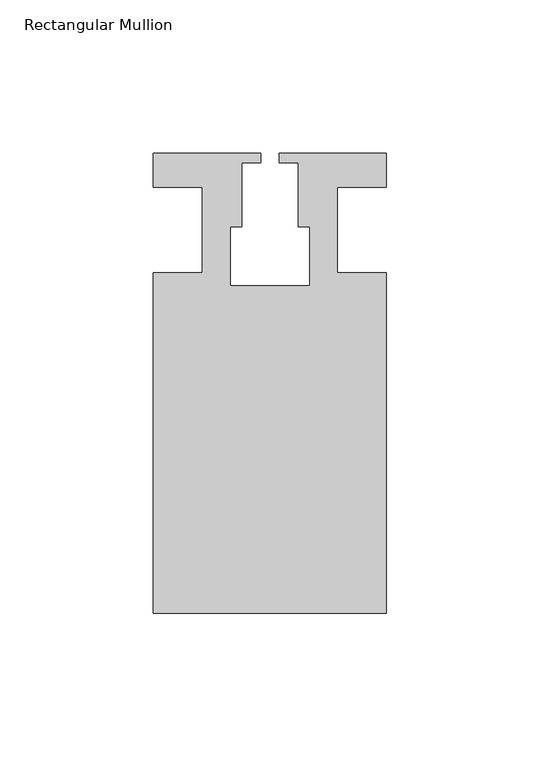
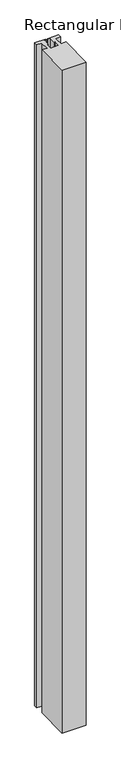
"""IFC4 building model written with IfcOpenShell, lengths in millimetres: member geometry, Rectangular Mullion."""

import ifcopenshell
import ifcopenshell.guid

model = None  # the IFC model being written
_history = None  # IfcOwnerHistory: only IFC2X3 demands one
_inside = {}  # id of a spatial element -> (the spatial element, [elements in it])
_under = {}  # id of a project, library or spatial element -> (it, [spatial elements below it])
_declared = {}  # id of a project -> (the project, [libraries it declares])
_typed = {}  # id of a type object -> (the type object, [elements of that type])
_made_of = {}  # id of a material, layer set ... -> (it, [elements and type objects made of it])


def new_model(schema):
    """Start an empty IFC model of exactly this schema.

    Asked for "IFC4X3", IfcOpenShell would pick the latest addendum, in which some entities
    have other attributes; the version numbers below select the first issue.
    IFC2X3 requires an IfcOwnerHistory on every rooted entity: one is made here for all.
    """
    global model, _history
    if schema == "IFC4X3":
        model = ifcopenshell.file(schema_version=(4, 3, 0, 0))
    else:
        model = ifcopenshell.file(schema=schema)
    _inside.clear()
    _under.clear()
    _declared.clear()
    _typed.clear()
    _made_of.clear()
    _history = None
    if model.schema == "IFC2X3":
        org = make("IfcOrganization", Name="unknown")
        user = make(
            "IfcPersonAndOrganization",
            ThePerson=make("IfcPerson", FamilyName="unknown"),
            TheOrganization=org,
        )
        app = make(
            "IfcApplication",
            ApplicationDeveloper=org,
            Version="unknown",
            ApplicationFullName="unknown",
            ApplicationIdentifier="unknown",
        )
        _history = make(
            "IfcOwnerHistory",
            OwningUser=user,
            OwningApplication=app,
            ChangeAction="ADDED",
            CreationDate=0,
        )
    return model


def make(cls, **values):
    """One entity of the class cls with the attributes given. An attribute that is None is left unset."""
    return model.create_entity(
        cls, **{name: value for name, value in values.items() if value is not None}
    )


def rooted(cls, **values):
    """An entity with a GlobalId (a new one), such as an element, a storey or a relation."""
    return make(cls, GlobalId=ifcopenshell.guid.new(), OwnerHistory=_history, **values)


def si_unit(unit_type, name, prefix=None):
    """IfcSIUnit, for example si_unit("LENGTHUNIT", "METRE", prefix="MILLI")."""
    return make("IfcSIUnit", UnitType=unit_type, Prefix=prefix, Name=name)


def assignment(units):
    """IfcUnitAssignment: the units of a project."""
    return None if units is None else make("IfcUnitAssignment", Units=units)


def point(xyz):
    """IfcCartesianPoint."""
    return None if xyz is None else make("IfcCartesianPoint", Coordinates=xyz)


def direction(xyz):
    """IfcDirection."""
    return None if xyz is None else make("IfcDirection", DirectionRatios=xyz)


def frame(location, z_axis=None, x_axis=None):
    """IfcAxis2Placement3D, a coordinate frame: its origin and axes. An axis left out is left unset."""
    return make(
        "IfcAxis2Placement3D",
        Location=point(location),
        Axis=direction(z_axis),
        RefDirection=direction(x_axis),
    )


def origin():
    """The frame at (0, 0, 0) with its axes left unset."""
    return frame((0.0, 0.0, 0.0))


def place(relative_to, where):
    """IfcLocalPlacement: puts the frame where relative to a parent placement (None: the world)."""
    return make(
        "IfcLocalPlacement", PlacementRelTo=relative_to, RelativePlacement=where
    )


def context(
    kind, dimensions, precision=None, world=None, true_north=None, identifier=None
):
    """IfcGeometricRepresentationContext, for example the 3D "Model" context."""
    return make(
        "IfcGeometricRepresentationContext",
        ContextIdentifier=identifier,
        ContextType=kind,
        CoordinateSpaceDimension=dimensions,
        Precision=precision,
        WorldCoordinateSystem=world,
        TrueNorth=true_north,
    )


def project(units=None, contexts=None):
    """IfcProject with its units and contexts."""
    return rooted(
        "IfcProject",
        Name="project",
        RepresentationContexts=contexts,
        UnitsInContext=assignment(units),
    )


def spatial(cls, under=None, at=None, **own):
    """A site, building, storey or space (cls), placed at a placement, below another one or the project."""
    s = rooted(cls, ObjectPlacement=at, **own)
    if under is not None:
        _under.setdefault(under.id(), (under, []))[1].append(s)
    return s


def polyline(points):
    """IfcPolyline through the points."""
    return make("IfcPolyline", Points=[point(p) for p in points])


def outline(outer, holes=None, kind="AREA"):
    """IfcArbitraryClosedProfileDef: a profile drawn as a closed curve; with holes, ...WithVoids."""
    if holes is None:
        return make("IfcArbitraryClosedProfileDef", ProfileType=kind, OuterCurve=outer)
    return make(
        "IfcArbitraryProfileDefWithVoids",
        ProfileType=kind,
        OuterCurve=outer,
        InnerCurves=holes,
    )


def extrude(swept, where, along, depth):
    """IfcExtrudedAreaSolid: the profile swept, set in the frame where, extruded along a direction by depth."""
    return make(
        "IfcExtrudedAreaSolid",
        SweptArea=swept,
        Position=where,
        ExtrudedDirection=direction(along),
        Depth=depth,
    )


def shape(context_of_items, identifier, shape_type, items):
    """IfcShapeRepresentation: the items that make up one representation, for example the "Body"."""
    return make(
        "IfcShapeRepresentation",
        ContextOfItems=context_of_items,
        RepresentationIdentifier=identifier,
        RepresentationType=shape_type,
        Items=items,
    )


def source(mapping_origin, context_of_items, identifier, shape_type, items):
    """IfcRepresentationMap: a shape defined once, which mapped items show again and again."""
    return make(
        "IfcRepresentationMap",
        MappingOrigin=mapping_origin,
        MappedRepresentation=shape(context_of_items, identifier, shape_type, items),
    )


def transform(
    local_origin,
    x_axis=None,
    y_axis=None,
    z_axis=None,
    scale=None,
    scale2=None,
    scale3=None,
    uniform=True,
):
    """IfcCartesianTransformationOperator3D, or its non-uniform kind. x_axis, y_axis, z_axis: its Axis1, 2, 3."""
    if uniform:
        return make(
            "IfcCartesianTransformationOperator3D",
            Axis1=direction(x_axis),
            Axis2=direction(y_axis),
            LocalOrigin=point(local_origin),
            Scale=scale,
            Axis3=direction(z_axis),
        )
    return make(
        "IfcCartesianTransformationOperator3DnonUniform",
        Axis1=direction(x_axis),
        Axis2=direction(y_axis),
        LocalOrigin=point(local_origin),
        Scale=scale,
        Axis3=direction(z_axis),
        Scale2=scale2,
        Scale3=scale3,
    )


def mapped(mapping_source, mapping_target):
    """IfcMappedItem: shows the shape of a source again, moved by a transform."""
    return make(
        "IfcMappedItem", MappingSource=mapping_source, MappingTarget=mapping_target
    )


def made_of(thing, what):
    """Note that an element or type object is made of a material, layer set ...; save() writes the relation."""
    if what is not None:
        _made_of.setdefault(what.id(), (what, []))[1].append(thing)
    return thing


def element(
    cls,
    number,
    at=None,
    inside=None,
    cuts=None,
    type_object=None,
    material=None,
    context=None,
    identifier="Body",
    shape_type=None,
    held_by="IfcProductDefinitionShape",
    body=None,
    shapes=None,
    **own,
):
    """One element of the class cls, such as IfcWall. Its Tag is "e" and its number.

    at: its placement. inside: the storey or other place that contains it. cuts: it is an
    opening in that element (IfcRelVoidsElement). A single representation is given by context,
    identifier, shape_type and body (its items); several are given by shapes. held_by: the class
    of the entity that holds the representations. save() writes the other relations.
    """
    e = rooted(cls, Tag="e%d" % number, ObjectPlacement=at, **own)
    if body is not None:
        shapes = [shape(context, identifier, shape_type, body)]
    if shapes is not None:
        e.Representation = make(held_by, Representations=shapes)
    if inside is not None:
        _inside.setdefault(inside.id(), (inside, []))[1].append(e)
    if cuts is not None:
        rooted(
            "IfcRelVoidsElement", RelatingBuildingElement=cuts, RelatedOpeningElement=e
        )
    if type_object is not None:
        _typed.setdefault(type_object.id(), (type_object, []))[1].append(e)
    return made_of(e, material)


def aggregate(whole, parts):
    """IfcRelAggregates: a whole, such as a stair, and the parts it consists of."""
    return rooted("IfcRelAggregates", RelatingObject=whole, RelatedObjects=parts)


def save(model, path):
    """Write the relations noted so far, then the file.

    IfcRelAggregates (storeys below a building ...), IfcRelContainedInSpatialStructure (elements
    in a storey), IfcRelDefinesByType, IfcRelAssociatesMaterial and IfcRelDeclares: one each for
    every whole, place, type object, material and project.
    """
    for whole, parts in _under.values():
        aggregate(whole, parts)
    for where, things in _inside.values():
        rooted(
            "IfcRelContainedInSpatialStructure",
            RelatedElements=things,
            RelatingStructure=where,
        )
    for kind, things in _typed.values():
        rooted("IfcRelDefinesByType", RelatedObjects=things, RelatingType=kind)
    for what, things in _made_of.values():
        rooted("IfcRelAssociatesMaterial", RelatedObjects=things, RelatingMaterial=what)
    for by, libraries in _declared.values():
        rooted("IfcRelDeclares", RelatingContext=by, RelatedDefinitions=libraries)
    model.write(path)


def rectangular_mullion_fcdb0a5d(model_context):
    return source(origin(), model_context, "Body", "SweptSolid", [
        extrude(outline(polyline([(37.9999914, -124.9960123), (-37.9999896, -124.9960123), (-37.9999896, -13.9959029), (-21.9999633, -13.9959029), (-21.9999633, 14.0039877), (-37.9999896, 14.0039877), (-37.9999896, 25.0039877), (-2.9999896, 25.0039877), (-2.9999896, 22.0039877), (-9.1999633, 22.0039877), (-9.1999633, 1.0039877), (-12.9999633, 1.0039877), (-12.9999633, -18.1960075), (12.9999651, -18.1960075), (12.9999651, 1.0039877), (9.1999651, 1.0039877), (9.1999651, 22.0039877), (2.9999651, 22.0039877), (2.9999651, 25.0039877), (37.9999896, 25.0039877), (37.9999896, 14.0039877), (21.9999651, 14.0039877), (21.9999651, -13.9960123), (37.9999914, -13.9960123), (37.9999914, -124.9960123)])), frame((0.0, 0.0, -2216.0199255), z_axis=(0.0, 0.0, 1.0), x_axis=(1.0, 0.0, 0.0)), (0.0, 0.0, 1.0), 2216.0199255),
    ])


if __name__ == "__main__":
    model = new_model("IFC4")
    model_context = context("Model", 3, world=origin())
    ifc_project = project(units=[si_unit("LENGTHUNIT", "METRE", prefix="MILLI")], contexts=[model_context])
    site = spatial("IfcSite", under=ifc_project)
    building = spatial("IfcBuilding", under=site)
    placement = place(None, origin())
    rectangular_mullion_shape = rectangular_mullion_fcdb0a5d(model_context)
    element("IfcMember", 1, ObjectType="Rectangular Mullion", at=placement, inside=building, context=model_context, shape_type="MappedRepresentation", body=[
        mapped(rectangular_mullion_shape, transform((0.0, 0.0, 0.0), x_axis=(1.0, 0.0, 0.0), y_axis=(0.0, 1.0, 0.0), z_axis=(0.0, 0.0, 1.0))),
    ])
    save(model, "model.ifc")
